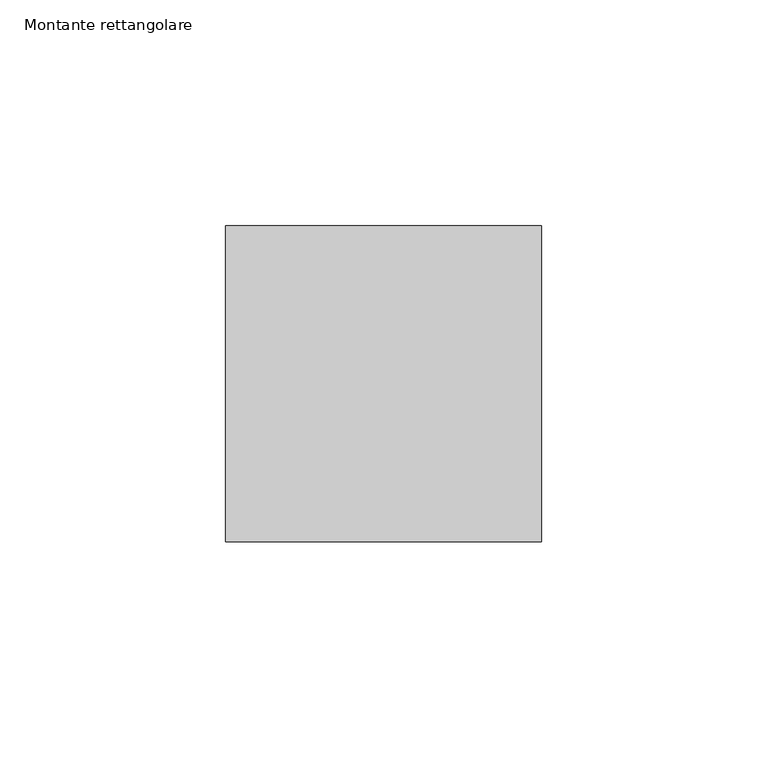
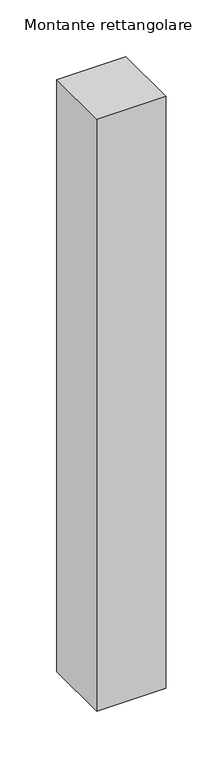
"""IFC4 building model written with IfcOpenShell, lengths in millimetres: member geometry, Montante rettangolare."""

import ifcopenshell
import ifcopenshell.guid

model = None  # the IFC model being written
_history = None  # IfcOwnerHistory: only IFC2X3 demands one
_inside = {}  # id of a spatial element -> (the spatial element, [elements in it])
_under = {}  # id of a project, library or spatial element -> (it, [spatial elements below it])
_declared = {}  # id of a project -> (the project, [libraries it declares])
_typed = {}  # id of a type object -> (the type object, [elements of that type])
_made_of = {}  # id of a material, layer set ... -> (it, [elements and type objects made of it])


def new_model(schema):
    """Start an empty IFC model of exactly this schema.

    Asked for "IFC4X3", IfcOpenShell would pick the latest addendum, in which some entities
    have other attributes; the version numbers below select the first issue.
    IFC2X3 requires an IfcOwnerHistory on every rooted entity: one is made here for all.
    """
    global model, _history
    if schema == "IFC4X3":
        model = ifcopenshell.file(schema_version=(4, 3, 0, 0))
    else:
        model = ifcopenshell.file(schema=schema)
    _inside.clear()
    _under.clear()
    _declared.clear()
    _typed.clear()
    _made_of.clear()
    _history = None
    if model.schema == "IFC2X3":
        org = make("IfcOrganization", Name="unknown")
        user = make(
            "IfcPersonAndOrganization",
            ThePerson=make("IfcPerson", FamilyName="unknown"),
            TheOrganization=org,
        )
        app = make(
            "IfcApplication",
            ApplicationDeveloper=org,
            Version="unknown",
            ApplicationFullName="unknown",
            ApplicationIdentifier="unknown",
        )
        _history = make(
            "IfcOwnerHistory",
            OwningUser=user,
            OwningApplication=app,
            ChangeAction="ADDED",
            CreationDate=0,
        )
    return model


def make(cls, **values):
    """One entity of the class cls with the attributes given. An attribute that is None is left unset."""
    return model.create_entity(
        cls, **{name: value for name, value in values.items() if value is not None}
    )


def rooted(cls, **values):
    """An entity with a GlobalId (a new one), such as an element, a storey or a relation."""
    return make(cls, GlobalId=ifcopenshell.guid.new(), OwnerHistory=_history, **values)


def si_unit(unit_type, name, prefix=None):
    """IfcSIUnit, for example si_unit("LENGTHUNIT", "METRE", prefix="MILLI")."""
    return make("IfcSIUnit", UnitType=unit_type, Prefix=prefix, Name=name)


def assignment(units):
    """IfcUnitAssignment: the units of a project."""
    return None if units is None else make("IfcUnitAssignment", Units=units)


def point(xyz):
    """IfcCartesianPoint."""
    return None if xyz is None else make("IfcCartesianPoint", Coordinates=xyz)


def direction(xyz):
    """IfcDirection."""
    return None if xyz is None else make("IfcDirection", DirectionRatios=xyz)


def frame(location, z_axis=None, x_axis=None):
    """IfcAxis2Placement3D, a coordinate frame: its origin and axes. An axis left out is left unset."""
    return make(
        "IfcAxis2Placement3D",
        Location=point(location),
        Axis=direction(z_axis),
        RefDirection=direction(x_axis),
    )


def origin():
    """The frame at (0, 0, 0) with its axes left unset."""
    return frame((0.0, 0.0, 0.0))


def place(relative_to, where):
    """IfcLocalPlacement: puts the frame where relative to a parent placement (None: the world)."""
    return make(
        "IfcLocalPlacement", PlacementRelTo=relative_to, RelativePlacement=where
    )


def context(
    kind, dimensions, precision=None, world=None, true_north=None, identifier=None
):
    """IfcGeometricRepresentationContext, for example the 3D "Model" context."""
    return make(
        "IfcGeometricRepresentationContext",
        ContextIdentifier=identifier,
        ContextType=kind,
        CoordinateSpaceDimension=dimensions,
        Precision=precision,
        WorldCoordinateSystem=world,
        TrueNorth=true_north,
    )


def project(units=None, contexts=None):
    """IfcProject with its units and contexts."""
    return rooted(
        "IfcProject",
        Name="project",
        RepresentationContexts=contexts,
        UnitsInContext=assignment(units),
    )


def spatial(cls, under=None, at=None, **own):
    """A site, building, storey or space (cls), placed at a placement, below another one or the project."""
    s = rooted(cls, ObjectPlacement=at, **own)
    if under is not None:
        _under.setdefault(under.id(), (under, []))[1].append(s)
    return s


def polyline(points):
    """IfcPolyline through the points."""
    return make("IfcPolyline", Points=[point(p) for p in points])


def outline(outer, holes=None, kind="AREA"):
    """IfcArbitraryClosedProfileDef: a profile drawn as a closed curve; with holes, ...WithVoids."""
    if holes is None:
        return make("IfcArbitraryClosedProfileDef", ProfileType=kind, OuterCurve=outer)
    return make(
        "IfcArbitraryProfileDefWithVoids",
        ProfileType=kind,
        OuterCurve=outer,
        InnerCurves=holes,
    )


def extrude(swept, where, along, depth):
    """IfcExtrudedAreaSolid: the profile swept, set in the frame where, extruded along a direction by depth."""
    return make(
        "IfcExtrudedAreaSolid",
        SweptArea=swept,
        Position=where,
        ExtrudedDirection=direction(along),
        Depth=depth,
    )


def shape(context_of_items, identifier, shape_type, items):
    """IfcShapeRepresentation: the items that make up one representation, for example the "Body"."""
    return make(
        "IfcShapeRepresentation",
        ContextOfItems=context_of_items,
        RepresentationIdentifier=identifier,
        RepresentationType=shape_type,
        Items=items,
    )


def source(mapping_origin, context_of_items, identifier, shape_type, items):
    """IfcRepresentationMap: a shape defined once, which mapped items show again and again."""
    return make(
        "IfcRepresentationMap",
        MappingOrigin=mapping_origin,
        MappedRepresentation=shape(context_of_items, identifier, shape_type, items),
    )


def transform(
    local_origin,
    x_axis=None,
    y_axis=None,
    z_axis=None,
    scale=None,
    scale2=None,
    scale3=None,
    uniform=True,
):
    """IfcCartesianTransformationOperator3D, or its non-uniform kind. x_axis, y_axis, z_axis: its Axis1, 2, 3."""
    if uniform:
        return make(
            "IfcCartesianTransformationOperator3D",
            Axis1=direction(x_axis),
            Axis2=direction(y_axis),
            LocalOrigin=point(local_origin),
            Scale=scale,
            Axis3=direction(z_axis),
        )
    return make(
        "IfcCartesianTransformationOperator3DnonUniform",
        Axis1=direction(x_axis),
        Axis2=direction(y_axis),
        LocalOrigin=point(local_origin),
        Scale=scale,
        Axis3=direction(z_axis),
        Scale2=scale2,
        Scale3=scale3,
    )


def mapped(mapping_source, mapping_target):
    """IfcMappedItem: shows the shape of a source again, moved by a transform."""
    return make(
        "IfcMappedItem", MappingSource=mapping_source, MappingTarget=mapping_target
    )


def made_of(thing, what):
    """Note that an element or type object is made of a material, layer set ...; save() writes the relation."""
    if what is not None:
        _made_of.setdefault(what.id(), (what, []))[1].append(thing)
    return thing


def element(
    cls,
    number,
    at=None,
    inside=None,
    cuts=None,
    type_object=None,
    material=None,
    context=None,
    identifier="Body",
    shape_type=None,
    held_by="IfcProductDefinitionShape",
    body=None,
    shapes=None,
    **own,
):
    """One element of the class cls, such as IfcWall. Its Tag is "e" and its number.

    at: its placement. inside: the storey or other place that contains it. cuts: it is an
    opening in that element (IfcRelVoidsElement). A single representation is given by context,
    identifier, shape_type and body (its items); several are given by shapes. held_by: the class
    of the entity that holds the representations. save() writes the other relations.
    """
    e = rooted(cls, Tag="e%d" % number, ObjectPlacement=at, **own)
    if body is not None:
        shapes = [shape(context, identifier, shape_type, body)]
    if shapes is not None:
        e.Representation = make(held_by, Representations=shapes)
    if inside is not None:
        _inside.setdefault(inside.id(), (inside, []))[1].append(e)
    if cuts is not None:
        rooted(
            "IfcRelVoidsElement", RelatingBuildingElement=cuts, RelatedOpeningElement=e
        )
    if type_object is not None:
        _typed.setdefault(type_object.id(), (type_object, []))[1].append(e)
    return made_of(e, material)


def aggregate(whole, parts):
    """IfcRelAggregates: a whole, such as a stair, and the parts it consists of."""
    return rooted("IfcRelAggregates", RelatingObject=whole, RelatedObjects=parts)


def save(model, path):
    """Write the relations noted so far, then the file.

    IfcRelAggregates (storeys below a building ...), IfcRelContainedInSpatialStructure (elements
    in a storey), IfcRelDefinesByType, IfcRelAssociatesMaterial and IfcRelDeclares: one each for
    every whole, place, type object, material and project.
    """
    for whole, parts in _under.values():
        aggregate(whole, parts)
    for where, things in _inside.values():
        rooted(
            "IfcRelContainedInSpatialStructure",
            RelatedElements=things,
            RelatingStructure=where,
        )
    for kind, things in _typed.values():
        rooted("IfcRelDefinesByType", RelatedObjects=things, RelatingType=kind)
    for what, things in _made_of.values():
        rooted("IfcRelAssociatesMaterial", RelatedObjects=things, RelatingMaterial=what)
    for by, libraries in _declared.values():
        rooted("IfcRelDeclares", RelatingContext=by, RelatedDefinitions=libraries)
    model.write(path)


def montante_rettangolare_ad325f77(model_context):
    return source(origin(), model_context, "Body", "SweptSolid", [
        extrude(outline(polyline([(0.0, 35.0), (0.0, -35.0), (-70.0, -35.0), (-70.0, 35.0), (0.0, 35.0)])), frame((0.0, 0.0, -634.8361775), z_axis=(0.0, 0.0, 1.0), x_axis=(1.0, 0.0, 0.0)), (0.0, 0.0, 1.0), 634.8361775),
    ])


if __name__ == "__main__":
    model = new_model("IFC4")
    model_context = context("Model", 3, world=origin())
    ifc_project = project(units=[si_unit("LENGTHUNIT", "METRE", prefix="MILLI")], contexts=[model_context])
    site = spatial("IfcSite", under=ifc_project)
    building = spatial("IfcBuilding", under=site)
    placement = place(None, origin())
    montante_rettangolare_shape = montante_rettangolare_ad325f77(model_context)
    element("IfcMember", 1, ObjectType="Montante rettangolare", at=placement, inside=building, context=model_context, shape_type="MappedRepresentation", body=[
        mapped(montante_rettangolare_shape, transform((0.0, 0.0, 0.0), x_axis=(1.0, 0.0, 0.0), y_axis=(0.0, 1.0, 0.0), z_axis=(0.0, 0.0, 1.0))),
    ])
    save(model, "model.ifc")
